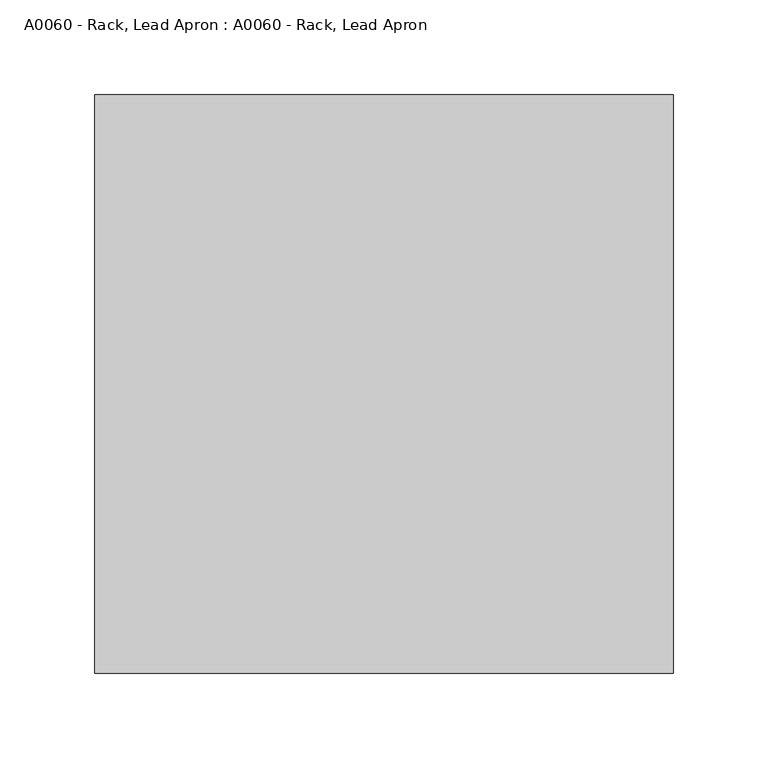
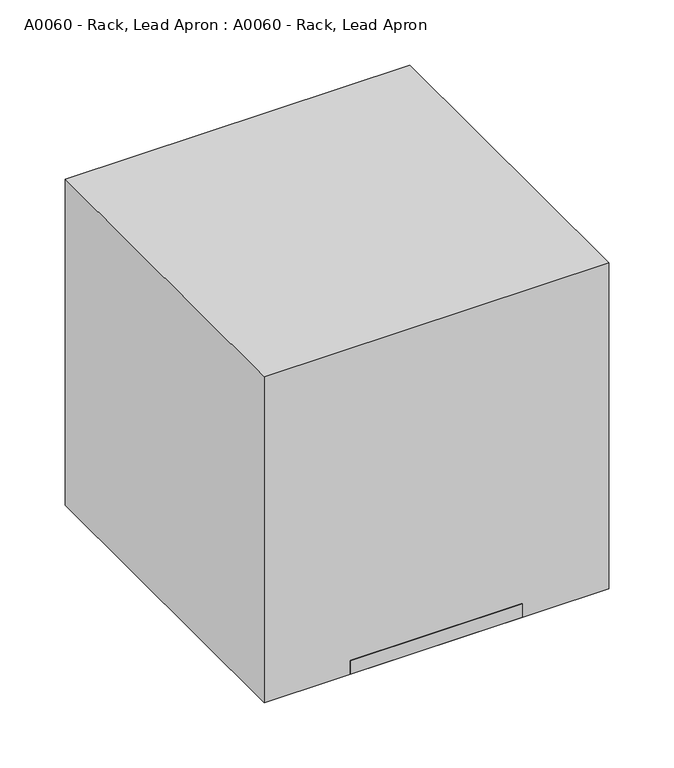
"""IFC4 building model written with IfcOpenShell, lengths in millimetres: proxy geometry, A0060 - Rack, Lead Apron : A0060 - Rack, Lead Apron."""

from ifc_helpers import new_model, si_unit, point, frame, frame_2d, origin, origin_with_axes, place, context, project, spatial, polyline, circle_curve, ellipse_curve, trimmed, segment, composite_curve, outline, extrude, source, transform, mapped, element, save
from ifc_brep_helpers import plane_surface, cylinder_surface, advanced_brep


def a0060_rack_lead_apron_a0060_rack_lead_apron_00714c92(model_context):
    return source(origin(), model_context, "Body", "SolidModel", [
        advanced_brep(
        [(25.4, 46.0375, 12.7), (25.4, 55.5625, 12.7), (25.4, 55.5625, 62.223892), (25.4, 46.0375, 64.776108), (25.4, 56.200554, 82.3790339), (25.4, 64.449446, 77.6165339)],
        [
            (0, 1, circle_curve(frame((25.4, 50.8, 12.7), z_axis=(0.0, 0.0, -1.0), x_axis=(0.0, 1.0, 0.0)), 4.7625)),
            (1, 0, circle_curve(frame((25.4, 50.8, 12.7), z_axis=(0.0, 0.0, -1.0), x_axis=(0.0, 1.0, 0.0)), 4.7625)),
            (1, 2),
            (2, 3, ellipse_curve(frame((25.4, 50.8, 63.5), z_axis=(0.0, -0.2588190451025221, -0.965925826289068), x_axis=(0.0, 0.9659258262890681, -0.25881904510252157)), 4.9305028, 4.7625)),
            (3, 0),
            (3, 2, ellipse_curve(frame((25.4, 50.8, 63.5), z_axis=(0.0, -0.2588190451025221, -0.965925826289068), x_axis=(0.0, 0.9659258262890681, -0.25881904510252157)), 4.9305028, 4.7625)),
            (4, 5, circle_curve(frame((25.4, 60.325, 79.9977839), z_axis=(0.0, 0.500000000000001, 0.8660254037844382), x_axis=(0.0, 0.8660254037844382, -0.500000000000001)), 4.7625)),
            (5, 4, circle_curve(frame((25.4, 60.325, 79.9977839), z_axis=(0.0, 0.500000000000001, 0.8660254037844382), x_axis=(0.0, 0.8660254037844382, -0.500000000000001)), 4.7625)),
            (2, 5),
            (4, 3),
        ],
        [
            plane_surface(frame((25.4, 50.8, 12.7), z_axis=(0.0, 0.0, -1.0), x_axis=(-1.0, 0.0, 0.0))),
            cylinder_surface(frame((25.4, 50.8, 12.7), z_axis=(0.0, 0.0, -1.0), x_axis=(0.0, 1.0, 0.0)), 4.7625),
            plane_surface(frame((25.4, 60.325, 79.9977839), z_axis=(0.0, 0.500000000000001, 0.8660254037844382), x_axis=(-1.0, 0.0, 0.0))),
            cylinder_surface(frame((25.4, 50.8, 63.5), z_axis=(0.0, -0.500000000000001, -0.8660254037844382), x_axis=(0.0, 0.8660254037844382, -0.500000000000001)), 4.7625),
        ],
        [
            (0, [[1, 2]]),
            (1, [[-2, 3, 4, 5]]),
            (1, [[-1, -5, 6, -3]]),
            (2, [[7, 8]]),
            (3, [[-4, 9, -7, 10]]),
            (3, [[-6, -10, -8, -9]]),
        ],
    ),
        advanced_brep(
        [(-25.4, 55.5625, 12.7), (-25.4, 46.0375, 12.7), (-25.4, 55.5625, 62.223892), (-25.4, 46.0375, 64.776108), (-25.4, 64.449446, 77.6165339), (-25.4, 56.200554, 82.3790339)],
        [
            (0, 1, circle_curve(frame((-25.4, 50.8, 12.7), z_axis=(0.0, 0.0, -1.0), x_axis=(0.0, -1.0, 0.0)), 4.7625)),
            (1, 0, circle_curve(frame((-25.4, 50.8, 12.7), z_axis=(0.0, 0.0, -1.0), x_axis=(0.0, -1.0, 0.0)), 4.7625)),
            (0, 2),
            (2, 3, ellipse_curve(frame((-25.4, 50.8, 63.5), z_axis=(0.0, -0.2588190451025221, -0.965925826289068), x_axis=(0.0, 0.9659258262890681, -0.25881904510252157)), 4.9305028, 4.7625)),
            (3, 1),
            (3, 2, ellipse_curve(frame((-25.4, 50.8, 63.5), z_axis=(0.0, -0.2588190451025221, -0.965925826289068), x_axis=(0.0, 0.9659258262890681, -0.25881904510252157)), 4.9305028, 4.7625)),
            (4, 5, circle_curve(frame((-25.4, 60.325, 79.9977839), z_axis=(0.0, 0.500000000000001, 0.8660254037844382), x_axis=(0.0, -0.8660254037844382, 0.500000000000001)), 4.7625)),
            (5, 4, circle_curve(frame((-25.4, 60.325, 79.9977839), z_axis=(0.0, 0.500000000000001, 0.8660254037844382), x_axis=(0.0, -0.8660254037844382, 0.500000000000001)), 4.7625)),
            (2, 4),
            (5, 3),
        ],
        [
            plane_surface(frame((-25.4, 50.8, 12.7), z_axis=(0.0, 0.0, -1.0), x_axis=(1.0, 0.0, 0.0))),
            cylinder_surface(frame((-25.4, 50.8, 12.7), z_axis=(0.0, 0.0, -1.0), x_axis=(0.0, -1.0, 0.0)), 4.7625),
            plane_surface(frame((-25.4, 60.325, 79.9977839), z_axis=(0.0, 0.500000000000001, 0.8660254037844382), x_axis=(1.0, 0.0, 0.0))),
            cylinder_surface(frame((-25.4, 50.8, 63.5), z_axis=(0.0, -0.500000000000001, -0.8660254037844382), x_axis=(0.0, -0.8660254037844382, 0.500000000000001)), 4.7625),
        ],
        [
            (0, [[1, 2]]),
            (1, [[-1, 3, 4, 5]]),
            (1, [[-2, -5, 6, -3]]),
            (2, [[7, 8]]),
            (3, [[-4, 9, -8, 10]]),
            (3, [[-6, -10, -7, -9]]),
        ],
    ),
        extrude(outline(polyline([(76.2, 0.0), (-76.2, 0.0), (-76.2, 101.6), (76.2, 101.6), (76.2, 0.0)]), holes=[composite_curve([segment(trimmed(circle_curve(frame_2d((0.0, 26.9875)), 1.5875), [point((-1.5875, 26.9875))], [point((1.5875, 26.9875))], True, "CARTESIAN"), True, "CONTINUOUS"), segment(trimmed(circle_curve(frame_2d((0.0, 26.9875)), 1.5875), [point((1.5875, 26.9875))], [point((-1.5875, 26.9875))], True, "CARTESIAN"), True, "CONTINUOUS")], self_intersect=False), composite_curve([segment(trimmed(circle_curve(frame_2d((0.0, 74.6125)), 1.5875), [point((-1.5875, 74.6125))], [point((1.5875, 74.6125))], True, "CARTESIAN"), True, "CONTINUOUS"), segment(trimmed(circle_curve(frame_2d((0.0, 74.6125)), 1.5875), [point((1.5875, 74.6125))], [point((-1.5875, 74.6125))], True, "CARTESIAN"), True, "CONTINUOUS")], self_intersect=False)]), origin_with_axes(), (0.0, 0.0, 1.0), 12.7),
        extrude(outline(polyline([(152.4, 304.8), (152.4, 0.0), (-152.4, 0.0), (-152.4, 304.8), (152.4, 304.8)])), origin_with_axes(), (0.0, 0.0, 1.0), 304.8),
    ])


if __name__ == "__main__":
    model = new_model("IFC4")
    model_context = context("Model", 3, world=origin())
    ifc_project = project(units=[si_unit("LENGTHUNIT", "METRE", prefix="MILLI")], contexts=[model_context])
    site = spatial("IfcSite", under=ifc_project)
    building = spatial("IfcBuilding", under=site)
    placement = place(None, origin())
    a0060_rack_lead_apron_a0060_rack_lead_apron_shape = a0060_rack_lead_apron_a0060_rack_lead_apron_00714c92(model_context)
    element("IfcBuildingElementProxy", 1, Name="A0060 - Rack, Lead Apron : A0060 - Rack, Lead Apron", ObjectType="A0060 - Rack, Lead Apron : A0060 - Rack, Lead Apron", at=placement, inside=building, context=model_context, shape_type="MappedRepresentation", body=[
        mapped(a0060_rack_lead_apron_a0060_rack_lead_apron_shape, transform((0.0, 0.0, 0.0), x_axis=(1.0, 0.0, 0.0), y_axis=(0.0, 1.0, 0.0), z_axis=(0.0, 0.0, 1.0))),
    ])
    save(model, "model.ifc")
